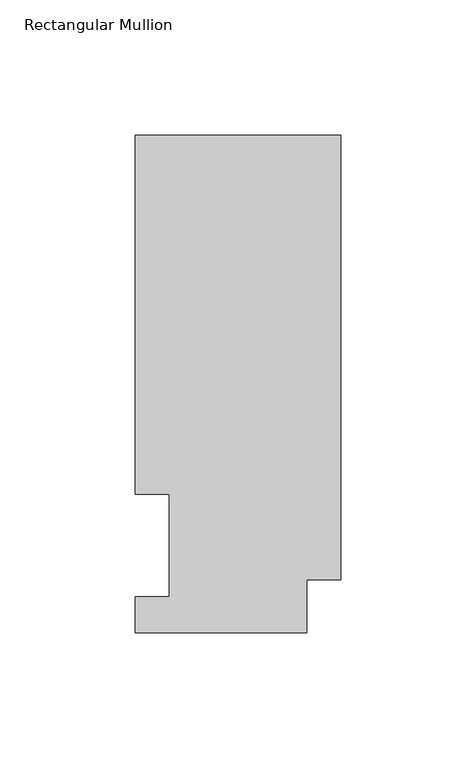
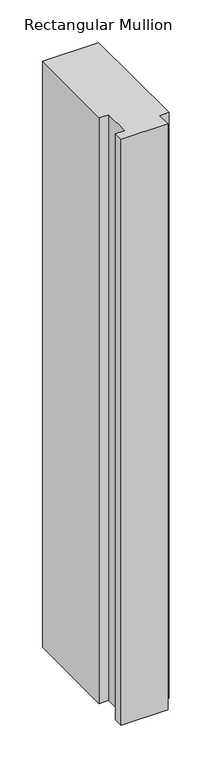
"""IFC4 building model written with IfcOpenShell, lengths in millimetres: member geometry, Rectangular Mullion."""

from ifc_helpers import new_model, si_unit, frame, origin, place, context, project, spatial, polyline, outline, extrude, source, transform, mapped, element, save


def rectangular_mullion_1d8b07ca(model_context):
    return source(origin(), model_context, "Body", "SweptSolid", [
        extrude(outline(polyline([(-76.2, 0.0134938), (-76.2, 13.1960938), (-63.5, 13.1960938), (-63.5, 51.2960937), (-76.2, 51.2960938), (-76.2, 184.2396938), (0.0, 184.2396937), (0.0, 19.5460937), (-12.7, 19.5460937), (-12.7, 0.0134938), (-76.2, 0.0134938)])), frame((0.0, 0.0, -838.1999996), z_axis=(0.0, 0.0, 1.0), x_axis=(1.0, 0.0, 0.0)), (0.0, 0.0, 1.0), 838.1999996),
    ])


if __name__ == "__main__":
    model = new_model("IFC4")
    model_context = context("Model", 3, world=origin())
    ifc_project = project(units=[si_unit("LENGTHUNIT", "METRE", prefix="MILLI")], contexts=[model_context])
    site = spatial("IfcSite", under=ifc_project)
    building = spatial("IfcBuilding", under=site)
    placement = place(None, origin())
    rectangular_mullion_shape = rectangular_mullion_1d8b07ca(model_context)
    element("IfcMember", 1, ObjectType="Rectangular Mullion", at=placement, inside=building, context=model_context, shape_type="MappedRepresentation", body=[
        mapped(rectangular_mullion_shape, transform((0.0, 0.0, 0.0), x_axis=(1.0, 0.0, 0.0), y_axis=(0.0, 1.0, 0.0), z_axis=(0.0, 0.0, 1.0))),
    ])
    save(model, "model.ifc")
